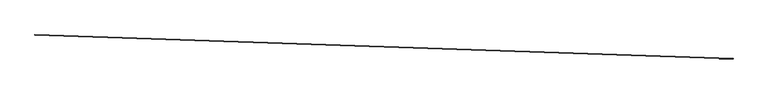
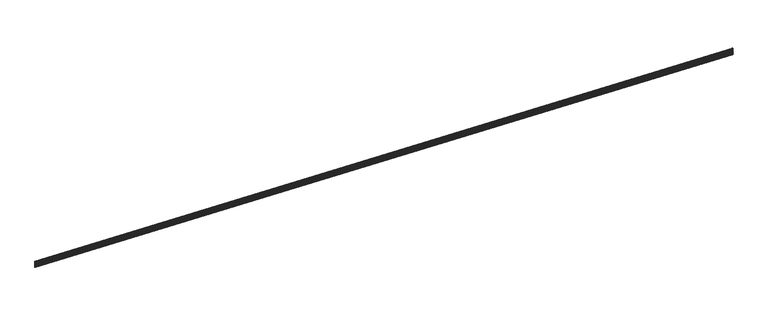
"""IFC4 building model written with IfcOpenShell, lengths in millimetres: proxy geometry."""

from ifc_helpers import new_model, si_unit, frame, origin, place, context, project, spatial, polyline, outline, extrude, source, transform, mapped, element, save


def generic_models_119dc309(model_context):
    return source(origin(), model_context, "Body", "SweptSolid", [
        extrude(outline(polyline([(-3.1749993, 0.0), (0.0, 0.0), (0.0, 12.7), (5.4236225, 15.2290767), (5.4236225, 19.6959233), (-1e-07, 22.225), (-1e-07, 31.75), (3.1749999, 31.75), (3.1749999, 24.247698), (9.2139906, 21.4316705), (9.2139906, 13.4933295), (3.175, 10.6773019), (3.175, -3.175), (1e-07, -3.175), (1e-07, -34.13125), (9.5250002, -34.13125), (9.5250002, -37.30625), (3e-07, -37.30625), (3e-07, -59.5312499), (9.5250003, -59.5312499), (9.5250003, -62.70625), (4e-07, -62.70625), (4e-07, -84.9312499), (9.5250004, -84.9312499), (9.5250004, -88.10625), (6e-07, -88.10625), (6e-07, -113.50625), (8.8104391, -113.50625), (8.8104391, -123.03125), (4.9129911, -123.03125), (4.9129911, -116.68125), (7e-07, -116.68125), (7e-07, -133.35), (-3.1749993, -133.35), (-3.1749993, 0.0)])), frame((34377.09634, -14812.3976044, 4087.1824341), z_axis=(-0.9994149475908112, 0.03420179135741461, 0.0), x_axis=(-0.03420179135741461, -0.9994149475908112, 0.0)), (0.0, 0.0, 1.0), 17068.8),
    ])


if __name__ == "__main__":
    model = new_model("IFC4")
    model_context = context("Model", 3, world=origin())
    ifc_project = project(units=[si_unit("LENGTHUNIT", "METRE", prefix="MILLI")], contexts=[model_context])
    site = spatial("IfcSite", under=ifc_project)
    building = spatial("IfcBuilding", under=site)
    placement = place(None, origin())
    generic_models_shape = generic_models_119dc309(model_context)
    element("IfcBuildingElementProxy", 1, Name="Generic Models", at=placement, inside=building, context=model_context, shape_type="MappedRepresentation", body=[
        mapped(generic_models_shape, transform((0.0, 0.0, 0.0), x_axis=(1.0, 0.0, 0.0), y_axis=(0.0, 1.0, 0.0), z_axis=(0.0, 0.0, 1.0))),
    ])
    save(model, "model.ifc")
